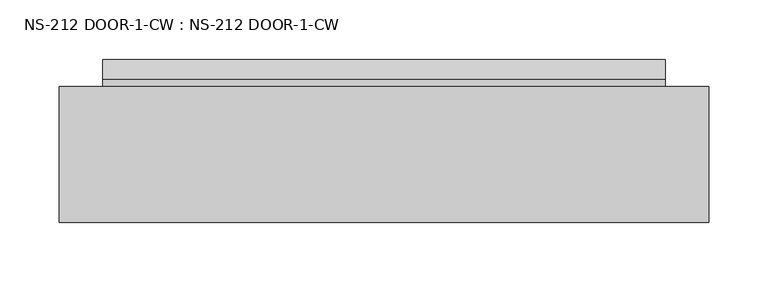
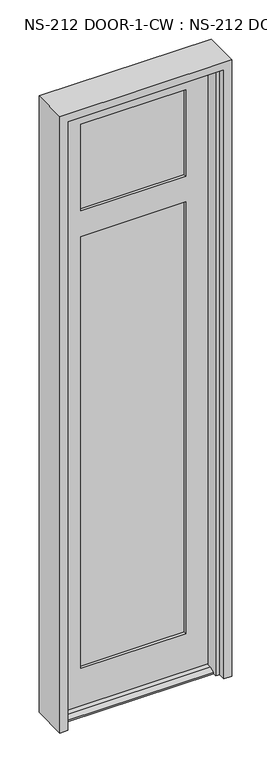
"""IFC4 building model written with IfcOpenShell, lengths in millimetres: plate geometry, NS-212 DOOR-1-CW : NS-212 DOOR-1-CW."""

from ifc_helpers import new_model, si_unit, frame, origin, place, context, project, spatial, polyline, outline, extrude, faceted_brep, source, transform, mapped, element, save


def ns_212_door_1_cw_ns_212_door_1_cw_6dae410b(model_context):
    return source(origin(), model_context, "Body", "SolidModel", [
        faceted_brep([(-239.3632958, -0.8585632, 0.0), (-239.3632958, -0.8585632, 2040.73125), (239.3632958, -0.8585632, 2040.73125), (239.3632958, -0.8585632, 0.0), (236.5946958, -0.8585632, 0.0), (236.5946958, -0.8585632, 12.7), (-236.5946958, -0.8585632, 12.7), (-236.5946958, -0.8585632, 0.0), (-166.3382958, -0.8585632, 138.1125), (166.3382958, -0.8585632, 138.1125), (166.3382958, -0.8585632, 1588.29375), (-166.3382958, -0.8585632, 1588.29375), (-166.3382958, -0.8585632, 1674.01875), (166.3382958, -0.8585632, 1674.01875), (166.3382958, -0.8585632, 1964.53125), (-166.3382958, -0.8585632, 1964.53125), (-166.3382958, -10.3835632, 1964.53125), (166.3382958, -10.3835632, 1964.53125), (-173.4820458, -10.3835632, 1971.675), (-173.4820458, -10.3835632, 1666.875), (173.4820458, -10.3835632, 1666.875), (173.4820458, -10.3835632, 1971.675), (-166.3382958, -10.3835632, 1674.01875), (166.3382958, -10.3835632, 1674.01875), (-173.4820458, -10.3835632, 1595.4375), (-173.4820458, -10.3835632, 130.96875), (173.4820458, -10.3835632, 130.96875), (173.4820458, -10.3835632, 1595.4375), (-166.3382958, -10.3835632, 138.1125), (-166.3382958, -10.3835632, 1588.29375), (166.3382958, -10.3835632, 1588.29375), (166.3382958, -10.3835632, 138.1125), (173.4820458, -35.7835632, 1971.675), (-173.4820458, -35.7835632, 1971.675), (-173.4820458, -35.7835632, 1666.875), (173.4820458, -35.7835632, 1666.875), (-166.3382958, -35.7835632, 1964.53125), (-166.3382958, -35.7835632, 1674.01875), (166.3382958, -35.7835632, 1674.01875), (166.3382958, -35.7835632, 1964.53125), (-173.4820458, -35.7835632, 130.96875), (-173.4820458, -35.7835632, 1595.4375), (173.4820458, -35.7835632, 1595.4375), (173.4820458, -35.7835632, 130.96875), (-166.3382958, -35.7835632, 1588.29375), (-166.3382958, -35.7835632, 138.1125), (166.3382958, -35.7835632, 138.1125), (166.3382958, -35.7835632, 1588.29375), (-166.3382958, -45.3085632, 1964.53125), (166.3382958, -45.3085632, 1964.53125), (-236.5946958, -45.3085632, 2040.73125), (-236.5946958, -45.3085632, 12.7), (236.5946958, -45.3085632, 12.7), (236.5946958, -45.3085632, 2040.73125), (-166.3382958, -45.3085632, 1588.29375), (166.3382958, -45.3085632, 1588.29375), (166.3382958, -45.3085632, 138.1125), (-166.3382958, -45.3085632, 138.1125), (-166.3382958, -45.3085632, 1674.01875), (166.3382958, -45.3085632, 1674.01875), (236.5946958, -61.9583086, 12.7), (236.5946958, -78.646154, 4.9183299), (236.5946958, -78.646154, 0.0), (236.5946958, -45.3085632, 0.0), (236.5946958, 22.9539368, 0.0), (236.5946958, 22.9539368, 4.9183299), (236.5946958, 6.2660914, 12.7), (-236.5946958, 6.2660914, 12.7), (-236.5946958, 22.9539368, 4.9183299), (-236.5946958, 22.9539368, 0.0), (-236.5946958, -78.646154, 0.0), (-236.5946958, -78.646154, 4.9183299), (-236.5946958, -61.9583086, 12.7), (-236.5946958, -45.3085632, 0.0)], [[[0, 1, 2, 3, 4, 5, 6, 7], [8, 9, 10, 11], [12, 13, 14, 15]], [[16, 15, 14, 17]], [[18, 19, 20, 21], [22, 16, 17, 23]], [[24, 25, 26, 27], [28, 29, 30, 31]], [[32, 33, 18, 21]], [[34, 33, 32, 35], [36, 37, 38, 39]], [[40, 41, 42, 43], [44, 45, 46, 47]], [[48, 36, 39, 49]], [[50, 51, 52, 53], [54, 55, 56, 57], [58, 48, 49, 59]], [[2, 1, 50, 53]], [[52, 60, 61, 62, 63]], [[64, 65, 66, 5, 4]], [[6, 67, 68, 69, 7]], [[70, 71, 72, 51, 73]], [[8, 28, 31, 9]], [[26, 25, 40, 43]], [[45, 57, 56, 46]], [[60, 52, 51, 72]], [[62, 70, 73, 0, 7, 69, 64, 4, 3, 63]], [[6, 5, 66, 67]], [[12, 22, 23, 13]], [[20, 19, 34, 35]], [[37, 58, 59, 38]], [[54, 44, 47, 55]], [[42, 41, 24, 27]], [[29, 11, 10, 30]], [[61, 60, 72, 71]], [[62, 61, 71, 70]], [[65, 64, 69, 68]], [[66, 65, 68, 67]], [[37, 36, 48, 58]], [[54, 57, 45, 44]], [[18, 33, 34, 19]], [[40, 25, 24, 41]], [[8, 11, 29, 28]], [[12, 15, 16, 22]], [[50, 1, 0, 73, 51]], [[2, 53, 52, 63, 3]], [[23, 17, 14, 13]], [[10, 9, 31, 30]], [[21, 20, 35, 32]], [[43, 42, 27, 26]], [[59, 49, 39, 38]], [[47, 46, 56, 55]]]),
        extrude(outline(polyline([(173.4820458, -10.3835632), (173.4820458, -16.7335632), (-173.4820458, -16.7335632), (-173.4820458, -10.3835632), (173.4820458, -10.3835632)])), frame((0.0, 0.0, 1666.875), z_axis=(0.0, 0.0, 1.0), x_axis=(1.0, 0.0, 0.0)), (0.0, 0.0, 1.0), 304.8),
        extrude(outline(polyline([(173.4820458, -29.4335632), (173.4820458, -35.7835632), (-173.4820458, -35.7835632), (-173.4820458, -29.4335632), (173.4820458, -29.4335632)])), frame((0.0, 0.0, 1666.875), z_axis=(0.0, 0.0, 1.0), x_axis=(1.0, 0.0, 0.0)), (0.0, 0.0, 1.0), 304.8),
        extrude(outline(polyline([(173.4820458, -10.3835632), (173.4820458, -16.7335632), (-173.4820458, -16.7335632), (-173.4820458, -10.3835632), (173.4820458, -10.3835632)])), frame((0.0, 0.0, 130.96875), z_axis=(0.0, 0.0, 1.0), x_axis=(1.0, 0.0, 0.0)), (0.0, 0.0, 1.0), 1464.46875),
        extrude(outline(polyline([(173.4820458, -29.4335632), (173.4820458, -35.7835632), (-173.4820458, -35.7835632), (-173.4820458, -29.4335632), (173.4820458, -29.4335632)])), frame((0.0, 0.0, 130.96875), z_axis=(0.0, 0.0, 1.0), x_axis=(1.0, 0.0, 0.0)), (0.0, 0.0, 1.0), 1464.46875),
        faceted_brep([(-273.05, -114.3, 2070.1), (-273.05, 0.0, 2070.1), (-273.05, 0.0, 0.0), (-273.05, -114.3, 0.0), (273.05, 0.0, 2070.1), (273.05, -114.3, 2070.1), (273.05, -114.3, 0.0), (273.05, 0.0, 0.0), (234.95, -91.313, 0.0), (247.65, -91.313, 0.0), (247.65, -91.313, 2044.7), (-247.65, -91.313, 2044.7), (-247.65, -91.313, 0.0), (-234.95, -91.313, 0.0), (-234.95, -91.313, 2032.0), (234.95, -91.313, 2032.0), (247.65, -114.3, 2044.7), (-247.65, -114.3, 2044.7), (-247.65, -114.3, 0.0), (247.65, -114.3, 0.0), (247.65, 0.0, 0.0), (247.65, 0.0, 2044.7), (-247.65, 0.0, 2044.7), (-247.65, 0.0, 0.0), (247.65, -50.038, 2044.7), (-247.65, -50.038, 2044.7), (247.65, -50.038, 0.0), (234.95, -50.038, 0.0), (234.95, -50.038, 2032.0), (-234.95, -50.038, 2032.0), (-234.95, -50.038, 0.0), (-247.65, -50.038, 0.0)], [[[0, 1, 2, 3]], [[4, 5, 6, 7]], [[8, 9, 10, 11, 12, 13, 14, 15]], [[11, 10, 16, 17]], [[0, 3, 18, 17, 16, 19, 6, 5]], [[4, 1, 0, 5]], [[2, 1, 4, 7, 20, 21, 22, 23]], [[21, 24, 25, 22]], [[26, 27, 28, 29, 30, 31, 25, 24]], [[28, 15, 14, 29]], [[27, 26, 20, 7, 6, 19, 9, 8]], [[20, 26, 24, 21]], [[9, 19, 16, 10]], [[27, 8, 15, 28]], [[30, 13, 12, 18, 3, 2, 23, 31]], [[13, 30, 29, 14]], [[18, 12, 11, 17]], [[25, 31, 23, 22]]]),
    ])


if __name__ == "__main__":
    model = new_model("IFC4")
    model_context = context("Model", 3, world=origin())
    ifc_project = project(units=[si_unit("LENGTHUNIT", "METRE", prefix="MILLI")], contexts=[model_context])
    site = spatial("IfcSite", under=ifc_project)
    building = spatial("IfcBuilding", under=site)
    placement = place(None, origin())
    ns_212_door_1_cw_ns_212_door_1_cw_shape = ns_212_door_1_cw_ns_212_door_1_cw_6dae410b(model_context)
    element("IfcPlate", 1, ObjectType="NS-212 DOOR-1-CW : NS-212 DOOR-1-CW", at=placement, inside=building, context=model_context, shape_type="MappedRepresentation", body=[
        mapped(ns_212_door_1_cw_ns_212_door_1_cw_shape, transform((0.0, 0.0, 0.0), x_axis=(1.0, 0.0, 0.0), y_axis=(0.0, 1.0, 0.0), z_axis=(0.0, 0.0, 1.0))),
    ])
    save(model, "model.ifc")
